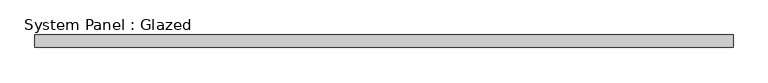
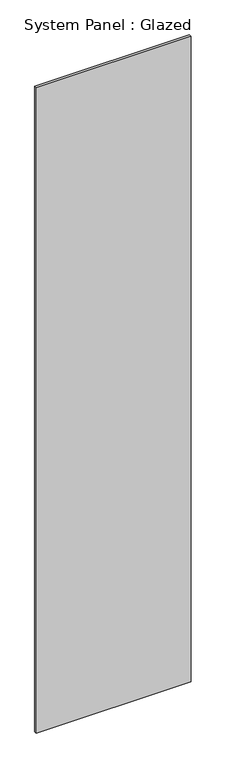
"""IFC4 building model written with IfcOpenShell, lengths in millimetres: plate geometry, System Panel : Glazed."""

from ifc_helpers import new_model, si_unit, origin, origin_with_axes, place, context, project, spatial, polyline, outline, extrude, source, transform, mapped, element, save


def system_panel_glazed_64d4fe46(model_context):
    return source(origin(), model_context, "Body", "SweptSolid", [
        extrude(outline(polyline([(718.25, 19.05), (-718.25, 19.05), (-718.25, 44.45), (718.25, 44.45), (718.25, 19.05)])), origin_with_axes(), (0.0, 0.0, 1.0), 6336.5),
    ])


if __name__ == "__main__":
    model = new_model("IFC4")
    model_context = context("Model", 3, world=origin())
    ifc_project = project(units=[si_unit("LENGTHUNIT", "METRE", prefix="MILLI")], contexts=[model_context])
    site = spatial("IfcSite", under=ifc_project)
    building = spatial("IfcBuilding", under=site)
    placement = place(None, origin())
    system_panel_glazed_shape = system_panel_glazed_64d4fe46(model_context)
    element("IfcPlate", 1, ObjectType="System Panel : Glazed", at=placement, inside=building, context=model_context, shape_type="MappedRepresentation", body=[
        mapped(system_panel_glazed_shape, transform((0.0, 0.0, 0.0), x_axis=(1.0, 0.0, 0.0), y_axis=(0.0, 1.0, 0.0), z_axis=(0.0, 0.0, 1.0))),
    ])
    save(model, "model.ifc")
